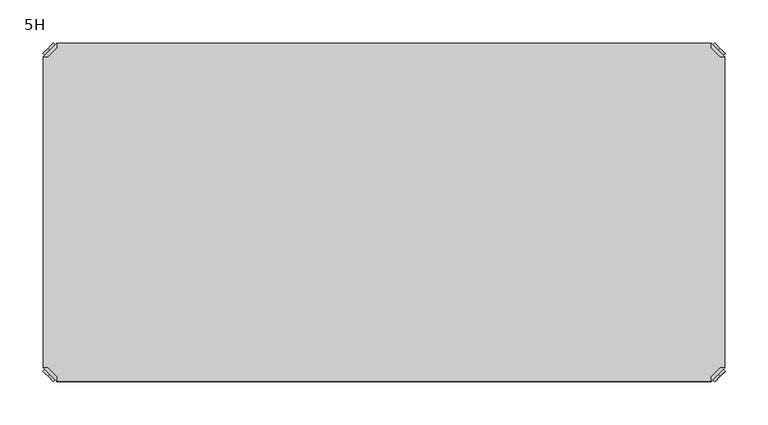
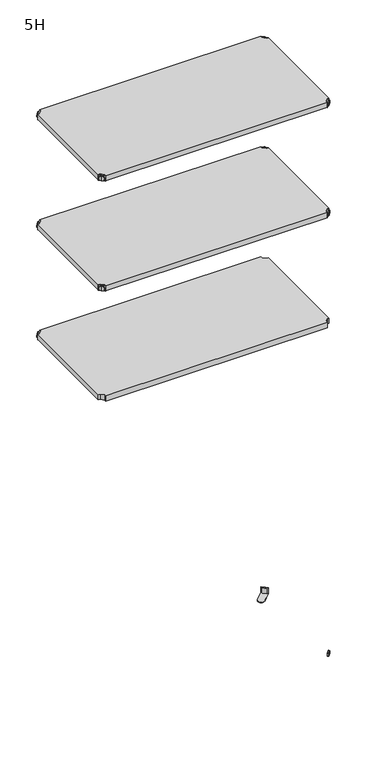
"""IFC4 building model written with IfcOpenShell, lengths in millimetres: furniture geometry, 5H."""

from ifc_helpers import new_model, si_unit, frame, origin, place, context, project, spatial, polyline, circle_curve, outline, extrude, source, transform, mapped, element, save
from ifc_brep_helpers import plane_surface, cylinder_surface, advanced_brep


def furniture_5h_9645780c(model_context):
    return source(origin(), model_context, "Body", "SolidModel", [
        advanced_brep(
        [(10.9601551, -10.9601551, 1298.5), (10.9601551, -10.9601551, 1315.5), (10.9601551, -10.9601551, 1307.0), (8.8388348, -8.8388348, 1298.5), (8.8388348, -8.8388348, 1315.5), (8.8388348, -8.8388348, 1307.0)],
        [
            (0, 1, circle_curve(frame((10.9601551, -10.9601551, 1307.0), z_axis=(0.7071067811865464, -0.7071067811865487, 0.0), x_axis=(0.0, 0.0, 1.0)), 8.5)),
            (1, 2),
            (2, 0),
            (1, 0, circle_curve(frame((10.9601551, -10.9601551, 1307.0), z_axis=(0.7071067811865464, -0.7071067811865487, 0.0), x_axis=(0.0, 0.0, 1.0)), 8.5)),
            (3, 4, circle_curve(frame((8.8388348, -8.8388348, 1307.0), z_axis=(0.7071067811865464, -0.7071067811865487, 0.0), x_axis=(0.0, 0.0, 1.0)), 8.5)),
            (4, 1),
            (0, 3),
            (4, 3, circle_curve(frame((8.8388348, -8.8388348, 1307.0), z_axis=(0.7071067811865464, -0.7071067811865487, 0.0), x_axis=(0.0, 0.0, 1.0)), 8.5)),
            (5, 4),
            (3, 5),
        ],
        [
            plane_surface(frame((10.9601551, -10.9601551, 1307.0), z_axis=(0.707106781186546, -0.7071067811865491, 0.0), x_axis=(0.0, 0.0, 1.0))),
            cylinder_surface(frame((8.8388348, -8.8388348, 1307.0), z_axis=(-0.7071067811865464, 0.7071067811865487, 0.0), x_axis=(0.0, 0.0, 1.0)), 8.5),
            plane_surface(frame((8.8388348, -8.8388348, 1307.0), z_axis=(-0.707106781186546, 0.7071067811865491, 0.0), x_axis=(0.0, 0.0, 1.0))),
        ],
        [
            (0, [[1, 2, 3]]),
            (0, [[4, -3, -2]]),
            (1, [[5, 6, -1, 7]]),
            (1, [[8, -7, -4, -6]]),
            (2, [[9, -5, 10]]),
            (2, [[-10, -8, -9]]),
        ],
    ),
        advanced_brep(
        [(18.9203102, -3.0, 1317.0), (3.0, -18.9203102, 1317.0), (8.6568542, -18.9203102, 1317.0), (18.9203102, -8.6568542, 1317.0), (18.9203102, -3.0, 1298.0), (18.9203102, -3.0, 1297.0), (3.0, -18.9203102, 1297.0), (3.0, -18.9203102, 1298.0), (8.6568542, -18.9203102, 1298.0), (18.9203102, -8.6568542, 1298.0), (31.8093975, -47.7297077, 1298.0), (47.7297077, -31.8093975, 1298.0), (47.7297077, -31.8093975, 1297.0), (31.8093975, -47.7297077, 1297.0)],
        [
            (0, 1),
            (1, 2),
            (2, 3),
            (3, 0),
            (0, 4),
            (4, 5),
            (5, 6),
            (6, 7),
            (7, 1),
            (2, 8),
            (8, 9),
            (9, 3),
            (9, 4),
            (7, 8),
            (7, 10),
            (10, 11, circle_curve(frame((39.7695526, -39.7695526, 1298.0), z_axis=(0.0, 0.0, 1.0), x_axis=(1.0, 0.0, 0.0)), 11.2573593)),
            (11, 4),
            (5, 12),
            (12, 13, circle_curve(frame((39.7695526, -39.7695526, 1297.0), z_axis=(0.0, 0.0, -1.0), x_axis=(1.0, 0.0, 0.0)), 11.2573593)),
            (13, 6),
            (13, 10),
            (12, 11),
        ],
        [
            plane_surface(frame((-38.8756299, -60.7959401, 1317.0), z_axis=(0.0, 0.0, 1.0000000000000002), x_axis=(-0.7071067811865557, -0.7071067811865395, 0.0))),
            plane_surface(frame((18.9203102, -3.0, 1317.0), z_axis=(-0.7071067811865395, 0.7071067811865557, 0.0), x_axis=(0.0, 0.0, -1.0))),
            plane_surface(frame((8.6568542, -18.9203102, 1317.0), z_axis=(0.7071067811865481, -0.7071067811865469, 0.0), x_axis=(0.0, 0.0, -1.0))),
            plane_surface(frame((18.9203102, -8.6568542, 1317.0), z_axis=(1.0, 0.0, 0.0), x_axis=(0.0, 0.0, -1.0))),
            plane_surface(frame((3.0, -18.9203102, 1317.0), z_axis=(0.0, -1.0, 0.0), x_axis=(0.0, 0.0, -1.0))),
            plane_surface(frame((3.0, -18.9203102, 1298.0), z_axis=(0.0, 0.0, 1.0), x_axis=(-0.7071067811865485, -0.7071067811865466, 0.0))),
            plane_surface(frame((3.0, -18.9203102, 1297.0), z_axis=(0.0, 0.0, -1.0), x_axis=(0.7071067811865485, 0.7071067811865466, 0.0))),
            plane_surface(frame((3.0, -18.9203102, 1298.0), z_axis=(-0.7071067811865491, -0.707106781186546, 0.0), x_axis=(0.0, 0.0, -1.0))),
            cylinder_surface(frame((39.7695526, -39.7695526, 1297.0), z_axis=(0.0, 0.0, 1.0), x_axis=(1.0, 0.0, 0.0)), 11.2573593),
            plane_surface(frame((47.7297077, -31.8093975, 1298.0), z_axis=(0.707106781186548, 0.7071067811865471, 0.0), x_axis=(0.0, 0.0, -1.0))),
        ],
        [
            (0, [[1, 2, 3, 4]]),
            (1, [[-1, 5, 6, 7, 8, 9]]),
            (2, [[-3, 10, 11, 12]]),
            (3, [[-4, -12, 13, -5]]),
            (4, [[-2, -9, 14, -10]]),
            (5, [[15, 16, 17, -13, -11, -14]]),
            (6, [[18, 19, 20, -7]]),
            (7, [[-15, -8, -20, 21]]),
            (8, [[-16, -21, -19, 22]]),
            (9, [[-17, -22, -18, -6]]),
        ],
    ),
        extrude(outline(polyline([(781.0796898, -3.0), (781.0796898, -8.6568542), (791.3431458, -18.9203102), (797.0, -18.9203102), (797.0, -381.0796898), (791.3431458, -381.0796898), (781.0796898, -391.3431458), (781.0796898, -397.0), (18.9203102, -397.0), (18.9203102, -391.3431458), (8.6568542, -381.0796898), (3.0, -381.0796898), (3.0, -18.9203102), (8.6568542, -18.9203102), (18.9203102, -8.6568542), (18.9203102, -3.0), (781.0796898, -3.0)])), frame((0.0, 0.0, 1298.0), z_axis=(0.0, 0.0, 1.0), x_axis=(1.0, 0.0, 0.0)), (0.0, 0.0, 1.0), 19.0),
        advanced_brep(
        [(789.0398449, -10.9601551, 1698.5), (789.0398449, -10.9601551, 1707.0), (789.0398449, -10.9601551, 1715.5), (791.1611652, -8.8388348, 1698.5), (791.1611652, -8.8388348, 1715.5), (791.1611652, -8.8388348, 1707.0)],
        [
            (0, 1),
            (1, 2),
            (2, 0, circle_curve(frame((789.0398449, -10.9601551, 1707.0), z_axis=(-0.7071067811865556, -0.7071067811865395, 0.0), x_axis=(0.0, 0.0, 1.0)), 8.5)),
            (0, 2, circle_curve(frame((789.0398449, -10.9601551, 1707.0), z_axis=(-0.7071067811865556, -0.7071067811865395, 0.0), x_axis=(0.0, 0.0, 1.0)), 8.5)),
            (3, 0),
            (2, 4),
            (4, 3, circle_curve(frame((791.1611652, -8.8388348, 1707.0), z_axis=(-0.7071067811865556, -0.7071067811865395, 0.0), x_axis=(0.0, 0.0, 1.0)), 8.5)),
            (3, 4, circle_curve(frame((791.1611652, -8.8388348, 1707.0), z_axis=(-0.7071067811865556, -0.7071067811865395, 0.0), x_axis=(0.0, 0.0, 1.0)), 8.5)),
            (5, 3),
            (4, 5),
        ],
        [
            plane_surface(frame((789.0398449, -10.9601551, 1707.0), z_axis=(-0.7071067811865552, -0.7071067811865399, 0.0), x_axis=(0.0, 0.0, 1.0))),
            cylinder_surface(frame((791.1611652, -8.8388348, 1707.0), z_axis=(0.7071067811865556, 0.7071067811865395, 0.0), x_axis=(0.0, 0.0, 1.0)), 8.5),
            plane_surface(frame((791.1611652, -8.8388348, 1707.0), z_axis=(0.7071067811865552, 0.7071067811865399, 0.0), x_axis=(0.0, 0.0, 1.0))),
        ],
        [
            (0, [[1, 2, 3]]),
            (0, [[-2, -1, 4]]),
            (1, [[5, -3, 6, 7]]),
            (1, [[-6, -4, -5, 8]]),
            (2, [[9, -7, 10]]),
            (2, [[-10, -8, -9]]),
        ],
    ),
        advanced_brep(
        [(781.0796898, -3.0, 1717.0), (781.0796898, -8.6568542, 1717.0), (791.3431458, -18.9203102, 1717.0), (797.0, -18.9203102, 1717.0), (797.0, -18.9203102, 1698.0), (797.0, -18.9203102, 1697.0), (781.0796898, -3.0, 1697.0), (781.0796898, -3.0, 1698.0), (781.0796898, -8.6568542, 1698.0), (791.3431458, -18.9203102, 1698.0), (752.2702923, -31.8093975, 1698.0), (768.1906025, -47.7297077, 1698.0), (768.1906025, -47.7297077, 1697.0), (752.2702923, -31.8093975, 1697.0)],
        [
            (0, 1),
            (1, 2),
            (2, 3),
            (3, 0),
            (3, 4),
            (4, 5),
            (5, 6),
            (6, 7),
            (7, 0),
            (1, 8),
            (8, 9),
            (9, 2),
            (7, 8),
            (9, 4),
            (7, 10),
            (10, 11, circle_curve(frame((760.2304474, -39.7695526, 1698.0), z_axis=(0.0, 0.0, 1.0), x_axis=(-1.0, 0.0, 0.0)), 11.2573593)),
            (11, 4),
            (5, 12),
            (12, 13, circle_curve(frame((760.2304474, -39.7695526, 1697.0), z_axis=(0.0, 0.0, -1.0), x_axis=(-1.0, 0.0, 0.0)), 11.2573593)),
            (13, 6),
            (11, 12),
            (10, 13),
        ],
        [
            plane_surface(frame((838.8756299, -60.7959401, 1717.0), z_axis=(0.0, 0.0, 1.0000000000000002), x_axis=(0.7071067811865465, -0.7071067811865487, 0.0))),
            plane_surface(frame((781.0796898, -3.0, 1717.0), z_axis=(0.7071067811865487, 0.7071067811865465, 0.0), x_axis=(0.0, 0.0, -1.0))),
            plane_surface(frame((791.3431458, -18.9203102, 1717.0), z_axis=(-0.7071067811865573, -0.7071067811865377, 0.0), x_axis=(0.0, 0.0, -1.0))),
            plane_surface(frame((781.0796898, -8.6568542, 1717.0), z_axis=(-1.0, 0.0, 0.0), x_axis=(0.0, 0.0, -1.0))),
            plane_surface(frame((797.0, -18.9203102, 1717.0), z_axis=(0.0, -1.0, 0.0), x_axis=(0.0, 0.0, -1.0))),
            plane_surface(frame((797.0, -18.9203102, 1698.0), z_axis=(0.0, 0.0, 1.0), x_axis=(0.7071067811865392, -0.7071067811865558, 0.0))),
            plane_surface(frame((797.0, -18.9203102, 1697.0), z_axis=(0.0, 0.0, -1.0), x_axis=(-0.7071067811865392, 0.7071067811865558, 0.0))),
            plane_surface(frame((797.0, -18.9203102, 1698.0), z_axis=(0.7071067811865399, -0.7071067811865552, 0.0), x_axis=(0.0, 0.0, -1.0))),
            cylinder_surface(frame((760.2304474, -39.7695526, 1697.0), z_axis=(0.0, 0.0, 1.0), x_axis=(-1.0, 0.0, 0.0)), 11.2573593),
            plane_surface(frame((752.2702923, -31.8093975, 1698.0), z_axis=(-0.7071067811865388, 0.7071067811865563, 0.0), x_axis=(0.0, 0.0, -1.0))),
        ],
        [
            (0, [[1, 2, 3, 4]]),
            (1, [[5, 6, 7, 8, 9, -4]]),
            (2, [[10, 11, 12, -2]]),
            (3, [[-9, 13, -10, -1]]),
            (4, [[-12, 14, -5, -3]]),
            (5, [[-14, -11, -13, 15, 16, 17]]),
            (6, [[-7, 18, 19, 20]]),
            (7, [[21, -18, -6, -17]]),
            (8, [[22, -19, -21, -16]]),
            (9, [[-8, -20, -22, -15]]),
        ],
    ),
        advanced_brep(
        [(789.0398449, -389.0398449, 1698.5), (789.0398449, -389.0398449, 1715.5), (789.0398449, -389.0398449, 1707.0), (791.1611652, -391.1611652, 1698.5), (791.1611652, -391.1611652, 1715.5), (791.1611652, -391.1611652, 1707.0)],
        [
            (0, 1, circle_curve(frame((789.0398449, -389.0398449, 1707.0), z_axis=(-0.7071067811865509, 0.7071067811865441, 0.0), x_axis=(0.0, 0.0, 1.0)), 8.5)),
            (1, 2),
            (2, 0),
            (1, 0, circle_curve(frame((789.0398449, -389.0398449, 1707.0), z_axis=(-0.7071067811865509, 0.7071067811865441, 0.0), x_axis=(0.0, 0.0, 1.0)), 8.5)),
            (3, 4, circle_curve(frame((791.1611652, -391.1611652, 1707.0), z_axis=(-0.7071067811865509, 0.7071067811865441, 0.0), x_axis=(0.0, 0.0, 1.0)), 8.5)),
            (4, 1),
            (0, 3),
            (4, 3, circle_curve(frame((791.1611652, -391.1611652, 1707.0), z_axis=(-0.7071067811865509, 0.7071067811865441, 0.0), x_axis=(0.0, 0.0, 1.0)), 8.5)),
            (5, 4),
            (3, 5),
        ],
        [
            plane_surface(frame((789.0398449, -389.0398449, 1707.0), z_axis=(-0.7071067811865506, 0.7071067811865446, 0.0), x_axis=(0.0, 0.0, 1.0))),
            cylinder_surface(frame((791.1611652, -391.1611652, 1707.0), z_axis=(0.7071067811865509, -0.7071067811865441, 0.0), x_axis=(0.0, 0.0, 1.0)), 8.5),
            plane_surface(frame((791.1611652, -391.1611652, 1707.0), z_axis=(0.7071067811865506, -0.7071067811865446, 0.0), x_axis=(0.0, 0.0, 1.0))),
        ],
        [
            (0, [[1, 2, 3]]),
            (0, [[4, -3, -2]]),
            (1, [[5, 6, -1, 7]]),
            (1, [[8, -7, -4, -6]]),
            (2, [[9, -5, 10]]),
            (2, [[-10, -8, -9]]),
        ],
    ),
        advanced_brep(
        [(781.0796898, -397.0, 1717.0), (797.0, -381.0796898, 1717.0), (791.3431458, -381.0796898, 1717.0), (781.0796898, -391.3431458, 1717.0), (781.0796898, -397.0, 1698.0), (781.0796898, -397.0, 1697.0), (797.0, -381.0796898, 1697.0), (797.0, -381.0796898, 1698.0), (791.3431458, -381.0796898, 1698.0), (781.0796898, -391.3431458, 1698.0), (768.1906025, -352.2702923, 1698.0), (752.2702923, -368.1906025, 1698.0), (752.2702923, -368.1906025, 1697.0), (768.1906025, -352.2702923, 1697.0)],
        [
            (0, 1),
            (1, 2),
            (2, 3),
            (3, 0),
            (0, 4),
            (4, 5),
            (5, 6),
            (6, 7),
            (7, 1),
            (2, 8),
            (8, 9),
            (9, 3),
            (9, 4),
            (7, 8),
            (7, 10),
            (10, 11, circle_curve(frame((760.2304474, -360.2304474, 1698.0), z_axis=(0.0, 0.0, 1.0), x_axis=(-1.0, 0.0, 0.0)), 11.2573593)),
            (11, 4),
            (5, 12),
            (12, 13, circle_curve(frame((760.2304474, -360.2304474, 1697.0), z_axis=(0.0, 0.0, -1.0), x_axis=(-1.0, 0.0, 0.0)), 11.2573593)),
            (13, 6),
            (13, 10),
            (12, 11),
        ],
        [
            plane_surface(frame((838.8756299, -339.2040599, 1717.0), z_axis=(0.0, 0.0, 1.0000000000000002), x_axis=(0.7071067811865511, 0.707106781186544, 0.0))),
            plane_surface(frame((781.0796898, -397.0, 1717.0), z_axis=(0.707106781186544, -0.7071067811865511, 0.0), x_axis=(0.0, 0.0, -1.0))),
            plane_surface(frame((791.3431458, -381.0796898, 1717.0), z_axis=(-0.7071067811865527, 0.7071067811865424, 0.0), x_axis=(0.0, 0.0, -1.0))),
            plane_surface(frame((781.0796898, -391.3431458, 1717.0), z_axis=(-1.0, 0.0, 0.0), x_axis=(0.0, 0.0, -1.0))),
            plane_surface(frame((797.0, -381.0796898, 1717.0), z_axis=(0.0, 1.0, 0.0), x_axis=(0.0, 0.0, -1.0))),
            plane_surface(frame((797.0, -381.0796898, 1698.0), z_axis=(0.0, 0.0, 1.0), x_axis=(0.7071067811865439, 0.7071067811865511, 0.0))),
            plane_surface(frame((797.0, -381.0796898, 1697.0), z_axis=(0.0, 0.0, -1.0), x_axis=(-0.7071067811865439, -0.7071067811865511, 0.0))),
            plane_surface(frame((797.0, -381.0796898, 1698.0), z_axis=(0.7071067811865446, 0.7071067811865506, 0.0), x_axis=(0.0, 0.0, -1.0))),
            cylinder_surface(frame((760.2304474, -360.2304474, 1697.0), z_axis=(0.0, 0.0, 1.0), x_axis=(-1.0, 0.0, 0.0)), 11.2573593),
            plane_surface(frame((752.2702923, -368.1906025, 1698.0), z_axis=(-0.7071067811865435, -0.7071067811865517, 0.0), x_axis=(0.0, 0.0, -1.0))),
        ],
        [
            (0, [[1, 2, 3, 4]]),
            (1, [[-1, 5, 6, 7, 8, 9]]),
            (2, [[-3, 10, 11, 12]]),
            (3, [[-4, -12, 13, -5]]),
            (4, [[-2, -9, 14, -10]]),
            (5, [[15, 16, 17, -13, -11, -14]]),
            (6, [[18, 19, 20, -7]]),
            (7, [[-15, -8, -20, 21]]),
            (8, [[-16, -21, -19, 22]]),
            (9, [[-17, -22, -18, -6]]),
        ],
    ),
        advanced_brep(
        [(10.9601551, -389.0398449, 1698.5), (10.9601551, -389.0398449, 1707.0), (10.9601551, -389.0398449, 1715.5), (8.8388348, -391.1611652, 1698.5), (8.8388348, -391.1611652, 1715.5), (8.8388348, -391.1611652, 1707.0)],
        [
            (0, 1),
            (1, 2),
            (2, 0, circle_curve(frame((10.9601551, -389.0398449, 1707.0), z_axis=(0.7071067811865509, 0.7071067811865441, 0.0), x_axis=(0.0, 0.0, 1.0)), 8.5)),
            (0, 2, circle_curve(frame((10.9601551, -389.0398449, 1707.0), z_axis=(0.7071067811865509, 0.7071067811865441, 0.0), x_axis=(0.0, 0.0, 1.0)), 8.5)),
            (3, 0),
            (2, 4),
            (4, 3, circle_curve(frame((8.8388348, -391.1611652, 1707.0), z_axis=(0.7071067811865509, 0.7071067811865441, 0.0), x_axis=(0.0, 0.0, 1.0)), 8.5)),
            (3, 4, circle_curve(frame((8.8388348, -391.1611652, 1707.0), z_axis=(0.7071067811865509, 0.7071067811865441, 0.0), x_axis=(0.0, 0.0, 1.0)), 8.5)),
            (5, 3),
            (4, 5),
        ],
        [
            plane_surface(frame((10.9601551, -389.0398449, 1707.0), z_axis=(0.7071067811865506, 0.7071067811865446, 0.0), x_axis=(0.0, 0.0, 1.0))),
            cylinder_surface(frame((8.8388348, -391.1611652, 1707.0), z_axis=(-0.7071067811865509, -0.7071067811865441, 0.0), x_axis=(0.0, 0.0, 1.0)), 8.5),
            plane_surface(frame((8.8388348, -391.1611652, 1707.0), z_axis=(-0.7071067811865506, -0.7071067811865446, 0.0), x_axis=(0.0, 0.0, 1.0))),
        ],
        [
            (0, [[1, 2, 3]]),
            (0, [[-2, -1, 4]]),
            (1, [[5, -3, 6, 7]]),
            (1, [[-6, -4, -5, 8]]),
            (2, [[9, -7, 10]]),
            (2, [[-10, -8, -9]]),
        ],
    ),
        advanced_brep(
        [(18.9203102, -397.0, 1717.0), (18.9203102, -391.3431458, 1717.0), (8.6568542, -381.0796898, 1717.0), (3.0, -381.0796898, 1717.0), (3.0, -381.0796898, 1698.0), (3.0, -381.0796898, 1697.0), (18.9203102, -397.0, 1697.0), (18.9203102, -397.0, 1698.0), (18.9203102, -391.3431458, 1698.0), (8.6568542, -381.0796898, 1698.0), (47.7297077, -368.1906025, 1698.0), (31.8093975, -352.2702923, 1698.0), (31.8093975, -352.2702923, 1697.0), (47.7297077, -368.1906025, 1697.0)],
        [
            (0, 1),
            (1, 2),
            (2, 3),
            (3, 0),
            (3, 4),
            (4, 5),
            (5, 6),
            (6, 7),
            (7, 0),
            (1, 8),
            (8, 9),
            (9, 2),
            (7, 8),
            (9, 4),
            (7, 10),
            (10, 11, circle_curve(frame((39.7695526, -360.2304474, 1698.0), z_axis=(0.0, 0.0, 1.0), x_axis=(1.0, 0.0, 0.0)), 11.2573593)),
            (11, 4),
            (5, 12),
            (12, 13, circle_curve(frame((39.7695526, -360.2304474, 1697.0), z_axis=(0.0, 0.0, -1.0), x_axis=(1.0, 0.0, 0.0)), 11.2573593)),
            (13, 6),
            (11, 12),
            (10, 13),
        ],
        [
            plane_surface(frame((-38.8756299, -339.2040599, 1717.0), z_axis=(0.0, 0.0, 1.0000000000000002), x_axis=(-0.7071067811865511, 0.707106781186544, 0.0))),
            plane_surface(frame((18.9203102, -397.0, 1717.0), z_axis=(-0.707106781186544, -0.7071067811865511, 0.0), x_axis=(0.0, 0.0, -1.0))),
            plane_surface(frame((8.6568542, -381.0796898, 1717.0), z_axis=(0.7071067811865527, 0.7071067811865424, 0.0), x_axis=(0.0, 0.0, -1.0))),
            plane_surface(frame((18.9203102, -391.3431458, 1717.0), z_axis=(1.0, 0.0, 0.0), x_axis=(0.0, 0.0, -1.0))),
            plane_surface(frame((3.0, -381.0796898, 1717.0), z_axis=(0.0, 1.0, 0.0), x_axis=(0.0, 0.0, -1.0))),
            plane_surface(frame((3.0, -381.0796898, 1698.0), z_axis=(0.0, 0.0, 1.0), x_axis=(-0.7071067811865439, 0.7071067811865511, 0.0))),
            plane_surface(frame((3.0, -381.0796898, 1697.0), z_axis=(0.0, 0.0, -1.0), x_axis=(0.7071067811865439, -0.7071067811865511, 0.0))),
            plane_surface(frame((3.0, -381.0796898, 1698.0), z_axis=(-0.7071067811865446, 0.7071067811865506, 0.0), x_axis=(0.0, 0.0, -1.0))),
            cylinder_surface(frame((39.7695526, -360.2304474, 1697.0), z_axis=(0.0, 0.0, 1.0), x_axis=(1.0, 0.0, 0.0)), 11.2573593),
            plane_surface(frame((47.7297077, -368.1906025, 1698.0), z_axis=(0.7071067811865435, -0.7071067811865517, 0.0), x_axis=(0.0, 0.0, -1.0))),
        ],
        [
            (0, [[1, 2, 3, 4]]),
            (1, [[5, 6, 7, 8, 9, -4]]),
            (2, [[10, 11, 12, -2]]),
            (3, [[-9, 13, -10, -1]]),
            (4, [[-12, 14, -5, -3]]),
            (5, [[-14, -11, -13, 15, 16, 17]]),
            (6, [[-7, 18, 19, 20]]),
            (7, [[21, -18, -6, -17]]),
            (8, [[22, -19, -21, -16]]),
            (9, [[-8, -20, -22, -15]]),
        ],
    ),
        advanced_brep(
        [(10.9601551, -10.9601551, 1698.5), (10.9601551, -10.9601551, 1715.5), (10.9601551, -10.9601551, 1707.0), (8.8388348, -8.8388348, 1698.5), (8.8388348, -8.8388348, 1715.5), (8.8388348, -8.8388348, 1707.0)],
        [
            (0, 1, circle_curve(frame((10.9601551, -10.9601551, 1707.0), z_axis=(0.7071067811865464, -0.7071067811865487, 0.0), x_axis=(0.0, 0.0, 1.0)), 8.5)),
            (1, 2),
            (2, 0),
            (1, 0, circle_curve(frame((10.9601551, -10.9601551, 1707.0), z_axis=(0.7071067811865464, -0.7071067811865487, 0.0), x_axis=(0.0, 0.0, 1.0)), 8.5)),
            (3, 4, circle_curve(frame((8.8388348, -8.8388348, 1707.0), z_axis=(0.7071067811865464, -0.7071067811865487, 0.0), x_axis=(0.0, 0.0, 1.0)), 8.5)),
            (4, 1),
            (0, 3),
            (4, 3, circle_curve(frame((8.8388348, -8.8388348, 1707.0), z_axis=(0.7071067811865464, -0.7071067811865487, 0.0), x_axis=(0.0, 0.0, 1.0)), 8.5)),
            (5, 4),
            (3, 5),
        ],
        [
            plane_surface(frame((10.9601551, -10.9601551, 1707.0), z_axis=(0.707106781186546, -0.7071067811865491, 0.0), x_axis=(0.0, 0.0, 1.0))),
            cylinder_surface(frame((8.8388348, -8.8388348, 1707.0), z_axis=(-0.7071067811865464, 0.7071067811865487, 0.0), x_axis=(0.0, 0.0, 1.0)), 8.5),
            plane_surface(frame((8.8388348, -8.8388348, 1707.0), z_axis=(-0.707106781186546, 0.7071067811865491, 0.0), x_axis=(0.0, 0.0, 1.0))),
        ],
        [
            (0, [[1, 2, 3]]),
            (0, [[4, -3, -2]]),
            (1, [[5, 6, -1, 7]]),
            (1, [[8, -7, -4, -6]]),
            (2, [[9, -5, 10]]),
            (2, [[-10, -8, -9]]),
        ],
    ),
        advanced_brep(
        [(18.9203102, -3.0, 1717.0), (3.0, -18.9203102, 1717.0), (8.6568542, -18.9203102, 1717.0), (18.9203102, -8.6568542, 1717.0), (18.9203102, -3.0, 1698.0), (18.9203102, -3.0, 1697.0), (3.0, -18.9203102, 1697.0), (3.0, -18.9203102, 1698.0), (8.6568542, -18.9203102, 1698.0), (18.9203102, -8.6568542, 1698.0), (31.8093975, -47.7297077, 1698.0), (47.7297077, -31.8093975, 1698.0), (47.7297077, -31.8093975, 1697.0), (31.8093975, -47.7297077, 1697.0)],
        [
            (0, 1),
            (1, 2),
            (2, 3),
            (3, 0),
            (0, 4),
            (4, 5),
            (5, 6),
            (6, 7),
            (7, 1),
            (2, 8),
            (8, 9),
            (9, 3),
            (9, 4),
            (7, 8),
            (7, 10),
            (10, 11, circle_curve(frame((39.7695526, -39.7695526, 1698.0), z_axis=(0.0, 0.0, 1.0), x_axis=(1.0, 0.0, 0.0)), 11.2573593)),
            (11, 4),
            (5, 12),
            (12, 13, circle_curve(frame((39.7695526, -39.7695526, 1697.0), z_axis=(0.0, 0.0, -1.0), x_axis=(1.0, 0.0, 0.0)), 11.2573593)),
            (13, 6),
            (13, 10),
            (12, 11),
        ],
        [
            plane_surface(frame((-38.8756299, -60.7959401, 1717.0), z_axis=(0.0, 0.0, 1.0000000000000002), x_axis=(-0.7071067811865557, -0.7071067811865395, 0.0))),
            plane_surface(frame((18.9203102, -3.0, 1717.0), z_axis=(-0.7071067811865395, 0.7071067811865557, 0.0), x_axis=(0.0, 0.0, -1.0))),
            plane_surface(frame((8.6568542, -18.9203102, 1717.0), z_axis=(0.7071067811865481, -0.7071067811865469, 0.0), x_axis=(0.0, 0.0, -1.0))),
            plane_surface(frame((18.9203102, -8.6568542, 1717.0), z_axis=(1.0, 0.0, 0.0), x_axis=(0.0, 0.0, -1.0))),
            plane_surface(frame((3.0, -18.9203102, 1717.0), z_axis=(0.0, -1.0, 0.0), x_axis=(0.0, 0.0, -1.0))),
            plane_surface(frame((3.0, -18.9203102, 1698.0), z_axis=(0.0, 0.0, 1.0), x_axis=(-0.7071067811865485, -0.7071067811865466, 0.0))),
            plane_surface(frame((3.0, -18.9203102, 1697.0), z_axis=(0.0, 0.0, -1.0), x_axis=(0.7071067811865485, 0.7071067811865466, 0.0))),
            plane_surface(frame((3.0, -18.9203102, 1698.0), z_axis=(-0.7071067811865491, -0.707106781186546, 0.0), x_axis=(0.0, 0.0, -1.0))),
            cylinder_surface(frame((39.7695526, -39.7695526, 1697.0), z_axis=(0.0, 0.0, 1.0), x_axis=(1.0, 0.0, 0.0)), 11.2573593),
            plane_surface(frame((47.7297077, -31.8093975, 1698.0), z_axis=(0.707106781186548, 0.7071067811865471, 0.0), x_axis=(0.0, 0.0, -1.0))),
        ],
        [
            (0, [[1, 2, 3, 4]]),
            (1, [[-1, 5, 6, 7, 8, 9]]),
            (2, [[-3, 10, 11, 12]]),
            (3, [[-4, -12, 13, -5]]),
            (4, [[-2, -9, 14, -10]]),
            (5, [[15, 16, 17, -13, -11, -14]]),
            (6, [[18, 19, 20, -7]]),
            (7, [[-15, -8, -20, 21]]),
            (8, [[-16, -21, -19, 22]]),
            (9, [[-17, -22, -18, -6]]),
        ],
    ),
        extrude(outline(polyline([(781.0796898, -3.0), (781.0796898, -8.6568542), (791.3431458, -18.9203102), (797.0, -18.9203102), (797.0, -381.0796898), (791.3431458, -381.0796898), (781.0796898, -391.3431458), (781.0796898, -397.0), (18.9203102, -397.0), (18.9203102, -391.3431458), (8.6568542, -381.0796898), (3.0, -381.0796898), (3.0, -18.9203102), (8.6568542, -18.9203102), (18.9203102, -8.6568542), (18.9203102, -3.0), (781.0796898, -3.0)])), frame((0.0, 0.0, 1698.0), z_axis=(0.0, 0.0, 1.0), x_axis=(1.0, 0.0, 0.0)), (0.0, 0.0, 1.0), 19.0),
        advanced_brep(
        [(789.0398449, -10.9601551, 2098.5), (789.0398449, -10.9601551, 2107.0), (789.0398449, -10.9601551, 2115.5), (791.1611652, -8.8388348, 2098.5), (791.1611652, -8.8388348, 2115.5), (791.1611652, -8.8388348, 2107.0)],
        [
            (0, 1),
            (1, 2),
            (2, 0, circle_curve(frame((789.0398449, -10.9601551, 2107.0), z_axis=(-0.7071067811865556, -0.7071067811865395, 0.0), x_axis=(0.0, 0.0, 1.0)), 8.5)),
            (0, 2, circle_curve(frame((789.0398449, -10.9601551, 2107.0), z_axis=(-0.7071067811865556, -0.7071067811865395, 0.0), x_axis=(0.0, 0.0, 1.0)), 8.5)),
            (3, 0),
            (2, 4),
            (4, 3, circle_curve(frame((791.1611652, -8.8388348, 2107.0), z_axis=(-0.7071067811865556, -0.7071067811865395, 0.0), x_axis=(0.0, 0.0, 1.0)), 8.5)),
            (3, 4, circle_curve(frame((791.1611652, -8.8388348, 2107.0), z_axis=(-0.7071067811865556, -0.7071067811865395, 0.0), x_axis=(0.0, 0.0, 1.0)), 8.5)),
            (5, 3),
            (4, 5),
        ],
        [
            plane_surface(frame((789.0398449, -10.9601551, 2107.0), z_axis=(-0.7071067811865552, -0.7071067811865399, 0.0), x_axis=(0.0, 0.0, 1.0))),
            cylinder_surface(frame((791.1611652, -8.8388348, 2107.0), z_axis=(0.7071067811865556, 0.7071067811865395, 0.0), x_axis=(0.0, 0.0, 1.0)), 8.5),
            plane_surface(frame((791.1611652, -8.8388348, 2107.0), z_axis=(0.7071067811865552, 0.7071067811865399, 0.0), x_axis=(0.0, 0.0, 1.0))),
        ],
        [
            (0, [[1, 2, 3]]),
            (0, [[-2, -1, 4]]),
            (1, [[5, -3, 6, 7]]),
            (1, [[-6, -4, -5, 8]]),
            (2, [[9, -7, 10]]),
            (2, [[-10, -8, -9]]),
        ],
    ),
        advanced_brep(
        [(781.0796898, -3.0, 2117.0), (781.0796898, -8.6568542, 2117.0), (791.3431458, -18.9203102, 2117.0), (797.0, -18.9203102, 2117.0), (797.0, -18.9203102, 2098.0), (797.0, -18.9203102, 2097.0), (781.0796898, -3.0, 2097.0), (781.0796898, -3.0, 2098.0), (781.0796898, -8.6568542, 2098.0), (791.3431458, -18.9203102, 2098.0), (752.2702923, -31.8093975, 2098.0), (768.1906025, -47.7297077, 2098.0), (768.1906025, -47.7297077, 2097.0), (752.2702923, -31.8093975, 2097.0)],
        [
            (0, 1),
            (1, 2),
            (2, 3),
            (3, 0),
            (3, 4),
            (4, 5),
            (5, 6),
            (6, 7),
            (7, 0),
            (1, 8),
            (8, 9),
            (9, 2),
            (7, 8),
            (9, 4),
            (7, 10),
            (10, 11, circle_curve(frame((760.2304474, -39.7695526, 2098.0), z_axis=(0.0, 0.0, 1.0), x_axis=(-1.0, 0.0, 0.0)), 11.2573593)),
            (11, 4),
            (5, 12),
            (12, 13, circle_curve(frame((760.2304474, -39.7695526, 2097.0), z_axis=(0.0, 0.0, -1.0), x_axis=(-1.0, 0.0, 0.0)), 11.2573593)),
            (13, 6),
            (11, 12),
            (10, 13),
        ],
        [
            plane_surface(frame((838.8756299, -60.7959401, 2117.0), z_axis=(0.0, 0.0, 1.0000000000000002), x_axis=(0.7071067811865465, -0.7071067811865487, 0.0))),
            plane_surface(frame((781.0796898, -3.0, 2117.0), z_axis=(0.7071067811865487, 0.7071067811865465, 0.0), x_axis=(0.0, 0.0, -1.0))),
            plane_surface(frame((791.3431458, -18.9203102, 2117.0), z_axis=(-0.7071067811865573, -0.7071067811865377, 0.0), x_axis=(0.0, 0.0, -1.0))),
            plane_surface(frame((781.0796898, -8.6568542, 2117.0), z_axis=(-1.0, 0.0, 0.0), x_axis=(0.0, 0.0, -1.0))),
            plane_surface(frame((797.0, -18.9203102, 2117.0), z_axis=(0.0, -1.0, 0.0), x_axis=(0.0, 0.0, -1.0))),
            plane_surface(frame((797.0, -18.9203102, 2098.0), z_axis=(0.0, 0.0, 1.0), x_axis=(0.7071067811865392, -0.7071067811865558, 0.0))),
            plane_surface(frame((797.0, -18.9203102, 2097.0), z_axis=(0.0, 0.0, -1.0), x_axis=(-0.7071067811865392, 0.7071067811865558, 0.0))),
            plane_surface(frame((797.0, -18.9203102, 2098.0), z_axis=(0.7071067811865399, -0.7071067811865552, 0.0), x_axis=(0.0, 0.0, -1.0))),
            cylinder_surface(frame((760.2304474, -39.7695526, 2097.0), z_axis=(0.0, 0.0, 1.0), x_axis=(-1.0, 0.0, 0.0)), 11.2573593),
            plane_surface(frame((752.2702923, -31.8093975, 2098.0), z_axis=(-0.7071067811865388, 0.7071067811865563, 0.0), x_axis=(0.0, 0.0, -1.0))),
        ],
        [
            (0, [[1, 2, 3, 4]]),
            (1, [[5, 6, 7, 8, 9, -4]]),
            (2, [[10, 11, 12, -2]]),
            (3, [[-9, 13, -10, -1]]),
            (4, [[-12, 14, -5, -3]]),
            (5, [[-14, -11, -13, 15, 16, 17]]),
            (6, [[-7, 18, 19, 20]]),
            (7, [[21, -18, -6, -17]]),
            (8, [[22, -19, -21, -16]]),
            (9, [[-8, -20, -22, -15]]),
        ],
    ),
        advanced_brep(
        [(789.0398449, -389.0398449, 2098.5), (789.0398449, -389.0398449, 2115.5), (789.0398449, -389.0398449, 2107.0), (791.1611652, -391.1611652, 2098.5), (791.1611652, -391.1611652, 2115.5), (791.1611652, -391.1611652, 2107.0)],
        [
            (0, 1, circle_curve(frame((789.0398449, -389.0398449, 2107.0), z_axis=(-0.7071067811865509, 0.7071067811865441, 0.0), x_axis=(0.0, 0.0, 1.0)), 8.5)),
            (1, 2),
            (2, 0),
            (1, 0, circle_curve(frame((789.0398449, -389.0398449, 2107.0), z_axis=(-0.7071067811865509, 0.7071067811865441, 0.0), x_axis=(0.0, 0.0, 1.0)), 8.5)),
            (3, 4, circle_curve(frame((791.1611652, -391.1611652, 2107.0), z_axis=(-0.7071067811865509, 0.7071067811865441, 0.0), x_axis=(0.0, 0.0, 1.0)), 8.5)),
            (4, 1),
            (0, 3),
            (4, 3, circle_curve(frame((791.1611652, -391.1611652, 2107.0), z_axis=(-0.7071067811865509, 0.7071067811865441, 0.0), x_axis=(0.0, 0.0, 1.0)), 8.5)),
            (5, 4),
            (3, 5),
        ],
        [
            plane_surface(frame((789.0398449, -389.0398449, 2107.0), z_axis=(-0.7071067811865506, 0.7071067811865446, 0.0), x_axis=(0.0, 0.0, 1.0))),
            cylinder_surface(frame((791.1611652, -391.1611652, 2107.0), z_axis=(0.7071067811865509, -0.7071067811865441, 0.0), x_axis=(0.0, 0.0, 1.0)), 8.5),
            plane_surface(frame((791.1611652, -391.1611652, 2107.0), z_axis=(0.7071067811865506, -0.7071067811865446, 0.0), x_axis=(0.0, 0.0, 1.0))),
        ],
        [
            (0, [[1, 2, 3]]),
            (0, [[4, -3, -2]]),
            (1, [[5, 6, -1, 7]]),
            (1, [[8, -7, -4, -6]]),
            (2, [[9, -5, 10]]),
            (2, [[-10, -8, -9]]),
        ],
    ),
        advanced_brep(
        [(781.0796898, -397.0, 2117.0), (797.0, -381.0796898, 2117.0), (791.3431458, -381.0796898, 2117.0), (781.0796898, -391.3431458, 2117.0), (781.0796898, -397.0, 2098.0), (781.0796898, -397.0, 2097.0), (797.0, -381.0796898, 2097.0), (797.0, -381.0796898, 2098.0), (791.3431458, -381.0796898, 2098.0), (781.0796898, -391.3431458, 2098.0), (768.1906025, -352.2702923, 2098.0), (752.2702923, -368.1906025, 2098.0), (752.2702923, -368.1906025, 2097.0), (768.1906025, -352.2702923, 2097.0)],
        [
            (0, 1),
            (1, 2),
            (2, 3),
            (3, 0),
            (0, 4),
            (4, 5),
            (5, 6),
            (6, 7),
            (7, 1),
            (2, 8),
            (8, 9),
            (9, 3),
            (9, 4),
            (7, 8),
            (7, 10),
            (10, 11, circle_curve(frame((760.2304474, -360.2304474, 2098.0), z_axis=(0.0, 0.0, 1.0), x_axis=(-1.0, 0.0, 0.0)), 11.2573593)),
            (11, 4),
            (5, 12),
            (12, 13, circle_curve(frame((760.2304474, -360.2304474, 2097.0), z_axis=(0.0, 0.0, -1.0), x_axis=(-1.0, 0.0, 0.0)), 11.2573593)),
            (13, 6),
            (13, 10),
            (12, 11),
        ],
        [
            plane_surface(frame((838.8756299, -339.2040599, 2117.0), z_axis=(0.0, 0.0, 1.0000000000000002), x_axis=(0.7071067811865511, 0.707106781186544, 0.0))),
            plane_surface(frame((781.0796898, -397.0, 2117.0), z_axis=(0.707106781186544, -0.7071067811865511, 0.0), x_axis=(0.0, 0.0, -1.0))),
            plane_surface(frame((791.3431458, -381.0796898, 2117.0), z_axis=(-0.7071067811865527, 0.7071067811865424, 0.0), x_axis=(0.0, 0.0, -1.0))),
            plane_surface(frame((781.0796898, -391.3431458, 2117.0), z_axis=(-1.0, 0.0, 0.0), x_axis=(0.0, 0.0, -1.0))),
            plane_surface(frame((797.0, -381.0796898, 2117.0), z_axis=(0.0, 1.0, 0.0), x_axis=(0.0, 0.0, -1.0))),
            plane_surface(frame((797.0, -381.0796898, 2098.0), z_axis=(0.0, 0.0, 1.0), x_axis=(0.7071067811865439, 0.7071067811865511, 0.0))),
            plane_surface(frame((797.0, -381.0796898, 2097.0), z_axis=(0.0, 0.0, -1.0), x_axis=(-0.7071067811865439, -0.7071067811865511, 0.0))),
            plane_surface(frame((797.0, -381.0796898, 2098.0), z_axis=(0.7071067811865446, 0.7071067811865506, 0.0), x_axis=(0.0, 0.0, -1.0))),
            cylinder_surface(frame((760.2304474, -360.2304474, 2097.0), z_axis=(0.0, 0.0, 1.0), x_axis=(-1.0, 0.0, 0.0)), 11.2573593),
            plane_surface(frame((752.2702923, -368.1906025, 2098.0), z_axis=(-0.7071067811865435, -0.7071067811865517, 0.0), x_axis=(0.0, 0.0, -1.0))),
        ],
        [
            (0, [[1, 2, 3, 4]]),
            (1, [[-1, 5, 6, 7, 8, 9]]),
            (2, [[-3, 10, 11, 12]]),
            (3, [[-4, -12, 13, -5]]),
            (4, [[-2, -9, 14, -10]]),
            (5, [[15, 16, 17, -13, -11, -14]]),
            (6, [[18, 19, 20, -7]]),
            (7, [[-15, -8, -20, 21]]),
            (8, [[-16, -21, -19, 22]]),
            (9, [[-17, -22, -18, -6]]),
        ],
    ),
        advanced_brep(
        [(10.9601551, -389.0398449, 2098.5), (10.9601551, -389.0398449, 2107.0), (10.9601551, -389.0398449, 2115.5), (8.8388348, -391.1611652, 2098.5), (8.8388348, -391.1611652, 2115.5), (8.8388348, -391.1611652, 2107.0)],
        [
            (0, 1),
            (1, 2),
            (2, 0, circle_curve(frame((10.9601551, -389.0398449, 2107.0), z_axis=(0.7071067811865509, 0.7071067811865441, 0.0), x_axis=(0.0, 0.0, 1.0)), 8.5)),
            (0, 2, circle_curve(frame((10.9601551, -389.0398449, 2107.0), z_axis=(0.7071067811865509, 0.7071067811865441, 0.0), x_axis=(0.0, 0.0, 1.0)), 8.5)),
            (3, 0),
            (2, 4),
            (4, 3, circle_curve(frame((8.8388348, -391.1611652, 2107.0), z_axis=(0.7071067811865509, 0.7071067811865441, 0.0), x_axis=(0.0, 0.0, 1.0)), 8.5)),
            (3, 4, circle_curve(frame((8.8388348, -391.1611652, 2107.0), z_axis=(0.7071067811865509, 0.7071067811865441, 0.0), x_axis=(0.0, 0.0, 1.0)), 8.5)),
            (5, 3),
            (4, 5),
        ],
        [
            plane_surface(frame((10.9601551, -389.0398449, 2107.0), z_axis=(0.7071067811865506, 0.7071067811865446, 0.0), x_axis=(0.0, 0.0, 1.0))),
            cylinder_surface(frame((8.8388348, -391.1611652, 2107.0), z_axis=(-0.7071067811865509, -0.7071067811865441, 0.0), x_axis=(0.0, 0.0, 1.0)), 8.5),
            plane_surface(frame((8.8388348, -391.1611652, 2107.0), z_axis=(-0.7071067811865506, -0.7071067811865446, 0.0), x_axis=(0.0, 0.0, 1.0))),
        ],
        [
            (0, [[1, 2, 3]]),
            (0, [[-2, -1, 4]]),
            (1, [[5, -3, 6, 7]]),
            (1, [[-6, -4, -5, 8]]),
            (2, [[9, -7, 10]]),
            (2, [[-10, -8, -9]]),
        ],
    ),
        advanced_brep(
        [(18.9203102, -397.0, 2117.0), (18.9203102, -391.3431458, 2117.0), (8.6568542, -381.0796898, 2117.0), (3.0, -381.0796898, 2117.0), (3.0, -381.0796898, 2098.0), (3.0, -381.0796898, 2097.0), (18.9203102, -397.0, 2097.0), (18.9203102, -397.0, 2098.0), (18.9203102, -391.3431458, 2098.0), (8.6568542, -381.0796898, 2098.0), (47.7297077, -368.1906025, 2098.0), (31.8093975, -352.2702923, 2098.0), (31.8093975, -352.2702923, 2097.0), (47.7297077, -368.1906025, 2097.0)],
        [
            (0, 1),
            (1, 2),
            (2, 3),
            (3, 0),
            (3, 4),
            (4, 5),
            (5, 6),
            (6, 7),
            (7, 0),
            (1, 8),
            (8, 9),
            (9, 2),
            (7, 8),
            (9, 4),
            (7, 10),
            (10, 11, circle_curve(frame((39.7695526, -360.2304474, 2098.0), z_axis=(0.0, 0.0, 1.0), x_axis=(1.0, 0.0, 0.0)), 11.2573593)),
            (11, 4),
            (5, 12),
            (12, 13, circle_curve(frame((39.7695526, -360.2304474, 2097.0), z_axis=(0.0, 0.0, -1.0), x_axis=(1.0, 0.0, 0.0)), 11.2573593)),
            (13, 6),
            (11, 12),
            (10, 13),
        ],
        [
            plane_surface(frame((-38.8756299, -339.2040599, 2117.0), z_axis=(0.0, 0.0, 1.0000000000000002), x_axis=(-0.7071067811865511, 0.707106781186544, 0.0))),
            plane_surface(frame((18.9203102, -397.0, 2117.0), z_axis=(-0.707106781186544, -0.7071067811865511, 0.0), x_axis=(0.0, 0.0, -1.0))),
            plane_surface(frame((8.6568542, -381.0796898, 2117.0), z_axis=(0.7071067811865527, 0.7071067811865424, 0.0), x_axis=(0.0, 0.0, -1.0))),
            plane_surface(frame((18.9203102, -391.3431458, 2117.0), z_axis=(1.0, 0.0, 0.0), x_axis=(0.0, 0.0, -1.0))),
            plane_surface(frame((3.0, -381.0796898, 2117.0), z_axis=(0.0, 1.0, 0.0), x_axis=(0.0, 0.0, -1.0))),
            plane_surface(frame((3.0, -381.0796898, 2098.0), z_axis=(0.0, 0.0, 1.0), x_axis=(-0.7071067811865439, 0.7071067811865511, 0.0))),
            plane_surface(frame((3.0, -381.0796898, 2097.0), z_axis=(0.0, 0.0, -1.0), x_axis=(0.7071067811865439, -0.7071067811865511, 0.0))),
            plane_surface(frame((3.0, -381.0796898, 2098.0), z_axis=(-0.7071067811865446, 0.7071067811865506, 0.0), x_axis=(0.0, 0.0, -1.0))),
            cylinder_surface(frame((39.7695526, -360.2304474, 2097.0), z_axis=(0.0, 0.0, 1.0), x_axis=(1.0, 0.0, 0.0)), 11.2573593),
            plane_surface(frame((47.7297077, -368.1906025, 2098.0), z_axis=(0.7071067811865435, -0.7071067811865517, 0.0), x_axis=(0.0, 0.0, -1.0))),
        ],
        [
            (0, [[1, 2, 3, 4]]),
            (1, [[5, 6, 7, 8, 9, -4]]),
            (2, [[10, 11, 12, -2]]),
            (3, [[-9, 13, -10, -1]]),
            (4, [[-12, 14, -5, -3]]),
            (5, [[-14, -11, -13, 15, 16, 17]]),
            (6, [[-7, 18, 19, 20]]),
            (7, [[21, -18, -6, -17]]),
            (8, [[22, -19, -21, -16]]),
            (9, [[-8, -20, -22, -15]]),
        ],
    ),
        advanced_brep(
        [(10.9601551, -10.9601551, 2098.5), (10.9601551, -10.9601551, 2115.5), (10.9601551, -10.9601551, 2107.0), (8.8388348, -8.8388348, 2098.5), (8.8388348, -8.8388348, 2115.5), (8.8388348, -8.8388348, 2107.0)],
        [
            (0, 1, circle_curve(frame((10.9601551, -10.9601551, 2107.0), z_axis=(0.7071067811865464, -0.7071067811865487, 0.0), x_axis=(0.0, 0.0, 1.0)), 8.5)),
            (1, 2),
            (2, 0),
            (1, 0, circle_curve(frame((10.9601551, -10.9601551, 2107.0), z_axis=(0.7071067811865464, -0.7071067811865487, 0.0), x_axis=(0.0, 0.0, 1.0)), 8.5)),
            (3, 4, circle_curve(frame((8.8388348, -8.8388348, 2107.0), z_axis=(0.7071067811865464, -0.7071067811865487, 0.0), x_axis=(0.0, 0.0, 1.0)), 8.5)),
            (4, 1),
            (0, 3),
            (4, 3, circle_curve(frame((8.8388348, -8.8388348, 2107.0), z_axis=(0.7071067811865464, -0.7071067811865487, 0.0), x_axis=(0.0, 0.0, 1.0)), 8.5)),
            (5, 4),
            (3, 5),
        ],
        [
            plane_surface(frame((10.9601551, -10.9601551, 2107.0), z_axis=(0.707106781186546, -0.7071067811865491, 0.0), x_axis=(0.0, 0.0, 1.0))),
            cylinder_surface(frame((8.8388348, -8.8388348, 2107.0), z_axis=(-0.7071067811865464, 0.7071067811865487, 0.0), x_axis=(0.0, 0.0, 1.0)), 8.5),
            plane_surface(frame((8.8388348, -8.8388348, 2107.0), z_axis=(-0.707106781186546, 0.7071067811865491, 0.0), x_axis=(0.0, 0.0, 1.0))),
        ],
        [
            (0, [[1, 2, 3]]),
            (0, [[4, -3, -2]]),
            (1, [[5, 6, -1, 7]]),
            (1, [[8, -7, -4, -6]]),
            (2, [[9, -5, 10]]),
            (2, [[-10, -8, -9]]),
        ],
    ),
        advanced_brep(
        [(18.9203102, -3.0, 2117.0), (3.0, -18.9203102, 2117.0), (8.6568542, -18.9203102, 2117.0), (18.9203102, -8.6568542, 2117.0), (18.9203102, -3.0, 2098.0), (18.9203102, -3.0, 2097.0), (3.0, -18.9203102, 2097.0), (3.0, -18.9203102, 2098.0), (8.6568542, -18.9203102, 2098.0), (18.9203102, -8.6568542, 2098.0), (31.8093975, -47.7297077, 2098.0), (47.7297077, -31.8093975, 2098.0), (47.7297077, -31.8093975, 2097.0), (31.8093975, -47.7297077, 2097.0)],
        [
            (0, 1),
            (1, 2),
            (2, 3),
            (3, 0),
            (0, 4),
            (4, 5),
            (5, 6),
            (6, 7),
            (7, 1),
            (2, 8),
            (8, 9),
            (9, 3),
            (9, 4),
            (7, 8),
            (7, 10),
            (10, 11, circle_curve(frame((39.7695526, -39.7695526, 2098.0), z_axis=(0.0, 0.0, 1.0), x_axis=(1.0, 0.0, 0.0)), 11.2573593)),
            (11, 4),
            (5, 12),
            (12, 13, circle_curve(frame((39.7695526, -39.7695526, 2097.0), z_axis=(0.0, 0.0, -1.0), x_axis=(1.0, 0.0, 0.0)), 11.2573593)),
            (13, 6),
            (13, 10),
            (12, 11),
        ],
        [
            plane_surface(frame((-38.8756299, -60.7959401, 2117.0), z_axis=(0.0, 0.0, 1.0000000000000002), x_axis=(-0.7071067811865557, -0.7071067811865395, 0.0))),
            plane_surface(frame((18.9203102, -3.0, 2117.0), z_axis=(-0.7071067811865395, 0.7071067811865557, 0.0), x_axis=(0.0, 0.0, -1.0))),
            plane_surface(frame((8.6568542, -18.9203102, 2117.0), z_axis=(0.7071067811865481, -0.7071067811865469, 0.0), x_axis=(0.0, 0.0, -1.0))),
            plane_surface(frame((18.9203102, -8.6568542, 2117.0), z_axis=(1.0, 0.0, 0.0), x_axis=(0.0, 0.0, -1.0))),
            plane_surface(frame((3.0, -18.9203102, 2117.0), z_axis=(0.0, -1.0, 0.0), x_axis=(0.0, 0.0, -1.0))),
            plane_surface(frame((3.0, -18.9203102, 2098.0), z_axis=(0.0, 0.0, 1.0), x_axis=(-0.7071067811865485, -0.7071067811865466, 0.0))),
            plane_surface(frame((3.0, -18.9203102, 2097.0), z_axis=(0.0, 0.0, -1.0), x_axis=(0.7071067811865485, 0.7071067811865466, 0.0))),
            plane_surface(frame((3.0, -18.9203102, 2098.0), z_axis=(-0.7071067811865491, -0.707106781186546, 0.0), x_axis=(0.0, 0.0, -1.0))),
            cylinder_surface(frame((39.7695526, -39.7695526, 2097.0), z_axis=(0.0, 0.0, 1.0), x_axis=(1.0, 0.0, 0.0)), 11.2573593),
            plane_surface(frame((47.7297077, -31.8093975, 2098.0), z_axis=(0.707106781186548, 0.7071067811865471, 0.0), x_axis=(0.0, 0.0, -1.0))),
        ],
        [
            (0, [[1, 2, 3, 4]]),
            (1, [[-1, 5, 6, 7, 8, 9]]),
            (2, [[-3, 10, 11, 12]]),
            (3, [[-4, -12, 13, -5]]),
            (4, [[-2, -9, 14, -10]]),
            (5, [[15, 16, 17, -13, -11, -14]]),
            (6, [[18, 19, 20, -7]]),
            (7, [[-15, -8, -20, 21]]),
            (8, [[-16, -21, -19, 22]]),
            (9, [[-17, -22, -18, -6]]),
        ],
    ),
        extrude(outline(polyline([(781.0796898, -3.0), (781.0796898, -8.6568542), (791.3431458, -18.9203102), (797.0, -18.9203102), (797.0, -381.0796898), (791.3431458, -381.0796898), (781.0796898, -391.3431458), (781.0796898, -397.0), (18.9203102, -397.0), (18.9203102, -391.3431458), (8.6568542, -381.0796898), (3.0, -381.0796898), (3.0, -18.9203102), (8.6568542, -18.9203102), (18.9203102, -8.6568542), (18.9203102, -3.0), (781.0796898, -3.0)])), frame((0.0, 0.0, 2098.0), z_axis=(0.0, 0.0, 1.0), x_axis=(1.0, 0.0, 0.0)), (0.0, 0.0, 1.0), 19.0),
        advanced_brep(
        [(789.0398449, -10.9601551, 98.5), (789.0398449, -10.9601551, 107.0), (789.0398449, -10.9601551, 115.5), (791.1611652, -8.8388348, 98.5), (791.1611652, -8.8388348, 115.5), (791.1611652, -8.8388348, 107.0)],
        [
            (0, 1),
            (1, 2),
            (2, 0, circle_curve(frame((789.0398449, -10.9601551, 107.0), z_axis=(-0.7071067811865556, -0.7071067811865395, 0.0), x_axis=(0.0, 0.0, 1.0)), 8.5)),
            (0, 2, circle_curve(frame((789.0398449, -10.9601551, 107.0), z_axis=(-0.7071067811865556, -0.7071067811865395, 0.0), x_axis=(0.0, 0.0, 1.0)), 8.5)),
            (3, 0),
            (2, 4),
            (4, 3, circle_curve(frame((791.1611652, -8.8388348, 107.0), z_axis=(-0.7071067811865556, -0.7071067811865395, 0.0), x_axis=(0.0, 0.0, 1.0)), 8.5)),
            (3, 4, circle_curve(frame((791.1611652, -8.8388348, 107.0), z_axis=(-0.7071067811865556, -0.7071067811865395, 0.0), x_axis=(0.0, 0.0, 1.0)), 8.5)),
            (5, 3),
            (4, 5),
        ],
        [
            plane_surface(frame((789.0398449, -10.9601551, 107.0), z_axis=(-0.7071067811865552, -0.7071067811865399, 0.0), x_axis=(0.0, 0.0, 1.0))),
            cylinder_surface(frame((791.1611652, -8.8388348, 107.0), z_axis=(0.7071067811865556, 0.7071067811865395, 0.0), x_axis=(0.0, 0.0, 1.0)), 8.5),
            plane_surface(frame((791.1611652, -8.8388348, 107.0), z_axis=(0.7071067811865552, 0.7071067811865399, 0.0), x_axis=(0.0, 0.0, 1.0))),
        ],
        [
            (0, [[1, 2, 3]]),
            (0, [[-2, -1, 4]]),
            (1, [[5, -3, 6, 7]]),
            (1, [[-6, -4, -5, 8]]),
            (2, [[9, -7, 10]]),
            (2, [[-10, -8, -9]]),
        ],
    ),
        advanced_brep(
        [(781.0796898, -3.0, 117.0), (781.0796898, -8.6568542, 117.0), (791.3431458, -18.9203102, 117.0), (797.0, -18.9203102, 117.0), (797.0, -18.9203102, 98.0), (797.0, -18.9203102, 97.0), (781.0796898, -3.0, 97.0), (781.0796898, -3.0, 98.0), (781.0796898, -8.6568542, 98.0), (791.3431458, -18.9203102, 98.0), (752.2702923, -31.8093975, 98.0), (768.1906025, -47.7297077, 98.0), (768.1906025, -47.7297077, 97.0), (752.2702923, -31.8093975, 97.0)],
        [
            (0, 1),
            (1, 2),
            (2, 3),
            (3, 0),
            (3, 4),
            (4, 5),
            (5, 6),
            (6, 7),
            (7, 0),
            (1, 8),
            (8, 9),
            (9, 2),
            (7, 8),
            (9, 4),
            (7, 10),
            (10, 11, circle_curve(frame((760.2304474, -39.7695526, 98.0), z_axis=(0.0, 0.0, 1.0), x_axis=(-1.0, 0.0, 0.0)), 11.2573593)),
            (11, 4),
            (5, 12),
            (12, 13, circle_curve(frame((760.2304474, -39.7695526, 97.0), z_axis=(0.0, 0.0, -1.0), x_axis=(-1.0, 0.0, 0.0)), 11.2573593)),
            (13, 6),
            (11, 12),
            (10, 13),
        ],
        [
            plane_surface(frame((838.8756299, -60.7959401, 117.0), z_axis=(0.0, 0.0, 1.0000000000000002), x_axis=(0.7071067811865465, -0.7071067811865487, 0.0))),
            plane_surface(frame((781.0796898, -3.0, 117.0), z_axis=(0.7071067811865487, 0.7071067811865465, 0.0), x_axis=(0.0, 0.0, -1.0))),
            plane_surface(frame((791.3431458, -18.9203102, 117.0), z_axis=(-0.7071067811865573, -0.7071067811865377, 0.0), x_axis=(0.0, 0.0, -1.0))),
            plane_surface(frame((781.0796898, -8.6568542, 117.0), z_axis=(-1.0, 0.0, 0.0), x_axis=(0.0, 0.0, -1.0))),
            plane_surface(frame((797.0, -18.9203102, 117.0), z_axis=(0.0, -1.0, 0.0), x_axis=(0.0, 0.0, -1.0))),
            plane_surface(frame((797.0, -18.9203102, 98.0), z_axis=(0.0, 0.0, 1.0), x_axis=(0.7071067811865392, -0.7071067811865558, 0.0))),
            plane_surface(frame((797.0, -18.9203102, 97.0), z_axis=(0.0, 0.0, -1.0), x_axis=(-0.7071067811865392, 0.7071067811865558, 0.0))),
            plane_surface(frame((797.0, -18.9203102, 98.0), z_axis=(0.7071067811865399, -0.7071067811865552, 0.0), x_axis=(0.0, 0.0, -1.0))),
            cylinder_surface(frame((760.2304474, -39.7695526, 97.0), z_axis=(0.0, 0.0, 1.0), x_axis=(-1.0, 0.0, 0.0)), 11.2573593),
            plane_surface(frame((752.2702923, -31.8093975, 98.0), z_axis=(-0.7071067811865388, 0.7071067811865563, 0.0), x_axis=(0.0, 0.0, -1.0))),
        ],
        [
            (0, [[1, 2, 3, 4]]),
            (1, [[5, 6, 7, 8, 9, -4]]),
            (2, [[10, 11, 12, -2]]),
            (3, [[-9, 13, -10, -1]]),
            (4, [[-12, 14, -5, -3]]),
            (5, [[-14, -11, -13, 15, 16, 17]]),
            (6, [[-7, 18, 19, 20]]),
            (7, [[21, -18, -6, -17]]),
            (8, [[22, -19, -21, -16]]),
            (9, [[-8, -20, -22, -15]]),
        ],
    ),
        advanced_brep(
        [(789.0398449, -389.0398449, 98.5), (789.0398449, -389.0398449, 115.5), (789.0398449, -389.0398449, 107.0), (791.1611652, -391.1611652, 98.5), (791.1611652, -391.1611652, 115.5), (791.1611652, -391.1611652, 107.0)],
        [
            (0, 1, circle_curve(frame((789.0398449, -389.0398449, 107.0), z_axis=(-0.7071067811865509, 0.7071067811865441, 0.0), x_axis=(0.0, 0.0, 1.0)), 8.5)),
            (1, 2),
            (2, 0),
            (1, 0, circle_curve(frame((789.0398449, -389.0398449, 107.0), z_axis=(-0.7071067811865509, 0.7071067811865441, 0.0), x_axis=(0.0, 0.0, 1.0)), 8.5)),
            (3, 4, circle_curve(frame((791.1611652, -391.1611652, 107.0), z_axis=(-0.7071067811865509, 0.7071067811865441, 0.0), x_axis=(0.0, 0.0, 1.0)), 8.5)),
            (4, 1),
            (0, 3),
            (4, 3, circle_curve(frame((791.1611652, -391.1611652, 107.0), z_axis=(-0.7071067811865509, 0.7071067811865441, 0.0), x_axis=(0.0, 0.0, 1.0)), 8.5)),
            (5, 4),
            (3, 5),
        ],
        [
            plane_surface(frame((789.0398449, -389.0398449, 107.0), z_axis=(-0.7071067811865506, 0.7071067811865446, 0.0), x_axis=(0.0, 0.0, 1.0))),
            cylinder_surface(frame((791.1611652, -391.1611652, 107.0), z_axis=(0.7071067811865509, -0.7071067811865441, 0.0), x_axis=(0.0, 0.0, 1.0)), 8.5),
            plane_surface(frame((791.1611652, -391.1611652, 107.0), z_axis=(0.7071067811865506, -0.7071067811865446, 0.0), x_axis=(0.0, 0.0, 1.0))),
        ],
        [
            (0, [[1, 2, 3]]),
            (0, [[4, -3, -2]]),
            (1, [[5, 6, -1, 7]]),
            (1, [[8, -7, -4, -6]]),
            (2, [[9, -5, 10]]),
            (2, [[-10, -8, -9]]),
        ],
    ),
    ])


if __name__ == "__main__":
    model = new_model("IFC4")
    model_context = context("Model", 3, world=origin())
    ifc_project = project(units=[si_unit("LENGTHUNIT", "METRE", prefix="MILLI")], contexts=[model_context])
    site = spatial("IfcSite", under=ifc_project)
    building = spatial("IfcBuilding", under=site)
    placement = place(None, origin())
    furniture_5h_shape = furniture_5h_9645780c(model_context)
    element("IfcFurniture", 1, ObjectType="5H", at=placement, inside=building, context=model_context, shape_type="MappedRepresentation", body=[
        mapped(furniture_5h_shape, transform((0.0, 0.0, 0.0), x_axis=(1.0, 0.0, 0.0), y_axis=(0.0, 1.0, 0.0), z_axis=(0.0, 0.0, 1.0))),
    ])
    save(model, "model.ifc")
